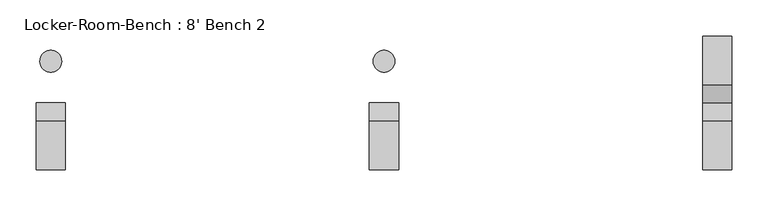
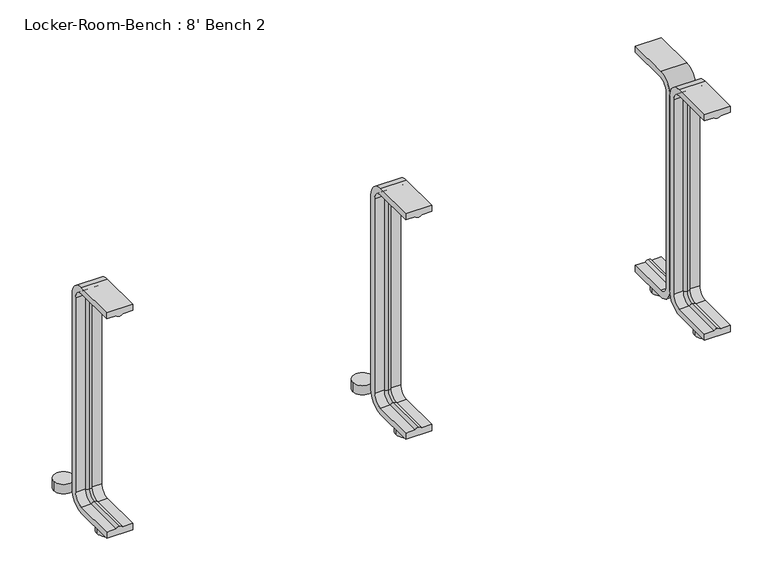
"""IFC4 building model written with IfcOpenShell, lengths in millimetres: proxy geometry, Locker-Room-Bench : 8' Bench 2."""

from ifc_helpers import new_model, si_unit, point, frame, frame_2d, origin, origin_with_axes, place, context, project, spatial, polyline, circle_curve, ellipse_curve, trimmed, segment, composite_curve, outline, extrude, source, transform, mapped, element, save
from ifc_brep_helpers import plane_surface, cylinder_surface, revolved_surface, advanced_brep


def locker_room_bench_8_bench_2_e8f070b9(model_context):
    return source(origin(), model_context, "Body", "SolidModel", [
        extrude(outline(composite_curve([segment(trimmed(circle_curve(frame_2d((459.6, 57.5)), 15.0), [point((444.6, 57.5))], [point((474.6, 57.5))], False, "CARTESIAN"), True, "CONTINUOUS"), segment(trimmed(circle_curve(frame_2d((459.6, 57.5)), 15.0), [point((474.6, 57.5))], [point((444.6, 57.5))], False, "CARTESIAN"), True, "CONTINUOUS")], self_intersect=False)), origin_with_axes(), (0.0, 0.0, 1.0), 15.0),
        extrude(outline(composite_curve([segment(trimmed(circle_curve(frame_2d((459.6, -57.5)), 15.0), [point((444.6, -57.5))], [point((474.6, -57.5))], False, "CARTESIAN"), True, "CONTINUOUS"), segment(trimmed(circle_curve(frame_2d((459.6, -57.5)), 15.0), [point((474.6, -57.5))], [point((444.6, -57.5))], False, "CARTESIAN"), True, "CONTINUOUS")], self_intersect=False)), origin_with_axes(), (0.0, 0.0, 1.0), 15.0),
        extrude(outline(composite_curve([segment(trimmed(circle_curve(frame_2d((0.0, 57.5)), 15.0), [point((-15.0, 57.5))], [point((15.0, 57.5))], False, "CARTESIAN"), True, "CONTINUOUS"), segment(trimmed(circle_curve(frame_2d((0.0, 57.5)), 15.0), [point((15.0, 57.5))], [point((-15.0, 57.5))], False, "CARTESIAN"), True, "CONTINUOUS")], self_intersect=False)), origin_with_axes(), (0.0, 0.0, 1.0), 15.0),
        extrude(outline(composite_curve([segment(trimmed(circle_curve(frame_2d((0.0, -57.5)), 15.0), [point((-15.0, -57.5))], [point((15.0, -57.5))], False, "CARTESIAN"), True, "CONTINUOUS"), segment(trimmed(circle_curve(frame_2d((0.0, -57.5)), 15.0), [point((15.0, -57.5))], [point((-15.0, -57.5))], False, "CARTESIAN"), True, "CONTINUOUS")], self_intersect=False)), origin_with_axes(), (0.0, 0.0, 1.0), 15.0),
        extrude(outline(composite_curve([segment(trimmed(circle_curve(frame_2d((-459.6, 57.5)), 15.0), [point((-474.6, 57.5))], [point((-444.6, 57.5))], False, "CARTESIAN"), True, "CONTINUOUS"), segment(trimmed(circle_curve(frame_2d((-459.6, 57.5)), 15.0), [point((-444.6, 57.5))], [point((-474.6, 57.5))], False, "CARTESIAN"), True, "CONTINUOUS")], self_intersect=False)), origin_with_axes(), (0.0, 0.0, 1.0), 15.0),
        extrude(outline(composite_curve([segment(trimmed(circle_curve(frame_2d((-459.6, -57.5)), 15.0), [point((-474.6, -57.5))], [point((-444.6, -57.5))], False, "CARTESIAN"), True, "CONTINUOUS"), segment(trimmed(circle_curve(frame_2d((-459.6, -57.5)), 15.0), [point((-444.6, -57.5))], [point((-474.6, -57.5))], False, "CARTESIAN"), True, "CONTINUOUS")], self_intersect=False)), origin_with_axes(), (0.0, 0.0, 1.0), 15.0),
        advanced_brep(
        [(479.6, -92.0, 381.4), (439.6, -92.0, 381.4), (439.6, -92.0, 371.4), (454.6, -92.0, 371.4), (459.6, -92.0, 369.0684617), (464.6, -92.0, 371.4), (479.6, -92.0, 371.4), (479.6, -25.0, 371.4), (479.6, -10.0, 356.4), (479.6, -10.0, 40.0), (479.6, -25.0, 25.0), (479.6, -92.0, 25.0), (479.6, -92.0, 15.0), (479.6, -25.0, 15.0), (479.6, 0.0, 40.0), (479.6, 0.0, 356.4), (479.6, -25.0, 381.4), (464.6, -25.0, 371.4), (459.6, -25.0, 369.0684617), (454.6, -25.0, 371.4), (439.6, -25.0, 371.4), (439.6, -25.0, 381.4), (439.6, 0.0, 356.4), (439.6, 0.0, 40.0), (439.6, -25.0, 15.0), (439.6, -92.0, 15.0), (439.6, -92.0, 25.0), (439.6, -25.0, 25.0), (439.6, -10.0, 40.0), (439.6, -10.0, 356.4), (464.6, -10.0, 356.4), (459.6, -12.3315383, 356.4), (454.6, -10.0, 356.4), (464.6, -10.0, 40.0), (459.6, -12.3315383, 40.0), (454.6, -10.0, 40.0), (464.6, -25.0, 25.0), (459.6, -25.0, 27.3315383), (454.6, -25.0, 25.0), (464.6, -92.0, 25.0), (459.6, -92.0, 27.3315383), (454.6, -92.0, 25.0)],
        [
            (0, 1),
            (1, 2),
            (2, 3),
            (3, 4, circle_curve(frame((459.3003591, -92.0, 374.9529162), z_axis=(0.0, -1.0, 0.0), x_axis=(0.0, 0.0, -1.0)), 5.8920785)),
            (4, 5, circle_curve(frame((459.8996409, -92.0, 374.9529162), z_axis=(0.0, -1.0, 0.0), x_axis=(0.0, 0.0, -1.0)), 5.8920785)),
            (5, 6),
            (6, 0),
            (6, 7),
            (7, 8, circle_curve(frame((479.6, -25.0, 356.4), z_axis=(-1.0, 0.0, 0.0), x_axis=(0.0, 0.0, 1.0)), 15.0)),
            (8, 9),
            (9, 10, circle_curve(frame((479.6, -25.0, 40.0), z_axis=(-1.0, 0.0, 0.0), x_axis=(0.0, 1.0, 0.0)), 15.0)),
            (10, 11),
            (11, 12),
            (12, 13),
            (13, 14, circle_curve(frame((479.6, -25.0, 40.0), z_axis=(1.0, 0.0, 0.0), x_axis=(0.0, 1.0, 0.0)), 25.0)),
            (14, 15),
            (15, 16, circle_curve(frame((479.6, -25.0, 356.4), z_axis=(1.0, 0.0, 0.0), x_axis=(0.0, 0.0, 1.0)), 25.0)),
            (16, 0),
            (5, 17),
            (17, 7),
            (4, 18),
            (18, 17, circle_curve(frame((459.8996409, -25.0, 374.9529162), z_axis=(0.0, -1.0, 0.0), x_axis=(0.0, 0.0, -1.0)), 5.8920785)),
            (3, 19),
            (19, 18, circle_curve(frame((459.3003591, -25.0, 374.9529162), z_axis=(0.0, -1.0, 0.0), x_axis=(0.0, 0.0, -1.0)), 5.8920785)),
            (2, 20),
            (20, 19),
            (1, 21),
            (21, 22, circle_curve(frame((439.6, -25.0, 356.4), z_axis=(-1.0, 0.0, 0.0), x_axis=(0.0, 0.0, 1.0)), 25.0)),
            (22, 23),
            (23, 24, circle_curve(frame((439.6, -25.0, 40.0), z_axis=(-1.0, 0.0, 0.0), x_axis=(0.0, 1.0, 0.0)), 25.0)),
            (24, 25),
            (25, 26),
            (26, 27),
            (27, 28, circle_curve(frame((439.6, -25.0, 40.0), z_axis=(1.0, 0.0, 0.0), x_axis=(0.0, 1.0, 0.0)), 15.0)),
            (28, 29),
            (29, 20, circle_curve(frame((439.6, -25.0, 356.4), z_axis=(1.0, 0.0, 0.0), x_axis=(0.0, 0.0, 1.0)), 15.0)),
            (16, 21),
            (30, 8),
            (17, 30, circle_curve(frame((464.6, -25.0, 356.4), z_axis=(-1.0, 0.0, 0.0), x_axis=(0.0, 0.0, 1.0)), 15.0)),
            (31, 30, circle_curve(frame((459.8996409, -6.4470838, 356.4), z_axis=(0.0, 0.0, 1.0), x_axis=(0.0, -1.0, 0.0)), 5.8920785)),
            (18, 31, circle_curve(frame((459.6, -25.0, 356.4), z_axis=(-1.0, 0.0, 0.0), x_axis=(0.0, 0.0, 1.0)), 12.6684617)),
            (32, 31, circle_curve(frame((459.3003591, -6.4470838, 356.4), z_axis=(0.0, 0.0, 1.0), x_axis=(0.0, -1.0, 0.0)), 5.8920785)),
            (19, 32, circle_curve(frame((454.6, -25.0, 356.4), z_axis=(-1.0, 0.0, 0.0), x_axis=(0.0, 0.0, 1.0)), 15.0)),
            (29, 32),
            (15, 22),
            (30, 33),
            (33, 9),
            (31, 34),
            (34, 33, circle_curve(frame((459.8996409, -6.4470838, 40.0), z_axis=(0.0, 0.0, 1.0), x_axis=(0.0, -1.0, 0.0)), 5.8920785)),
            (32, 35),
            (35, 34, circle_curve(frame((459.3003591, -6.4470838, 40.0), z_axis=(0.0, 0.0, 1.0), x_axis=(0.0, -1.0, 0.0)), 5.8920785)),
            (28, 35),
            (14, 23),
            (36, 10),
            (33, 36, circle_curve(frame((464.6, -25.0, 40.0), z_axis=(-1.0, 0.0, 0.0), x_axis=(0.0, 1.0, 0.0)), 15.0)),
            (37, 36, circle_curve(frame((459.8996409, -25.0, 21.4470838), z_axis=(0.0, 1.0, 0.0), x_axis=(0.0, 0.0, 1.0)), 5.8920785)),
            (34, 37, circle_curve(frame((459.6, -25.0, 40.0), z_axis=(-1.0, 0.0, 0.0), x_axis=(0.0, 1.0, 0.0)), 12.6684617)),
            (38, 37, circle_curve(frame((459.3003591, -25.0, 21.4470838), z_axis=(0.0, 1.0, 0.0), x_axis=(0.0, 0.0, 1.0)), 5.8920785)),
            (35, 38, circle_curve(frame((454.6, -25.0, 40.0), z_axis=(-1.0, 0.0, 0.0), x_axis=(0.0, 1.0, 0.0)), 15.0)),
            (27, 38),
            (13, 24),
            (11, 39),
            (39, 40, circle_curve(frame((459.8996409, -92.0, 21.4470838), z_axis=(0.0, -1.0, 0.0), x_axis=(0.0, 0.0, 1.0)), 5.8920785)),
            (40, 41, circle_curve(frame((459.3003591, -92.0, 21.4470838), z_axis=(0.0, -1.0, 0.0), x_axis=(0.0, 0.0, 1.0)), 5.8920785)),
            (41, 26),
            (25, 12),
            (36, 39),
            (37, 40),
            (38, 41),
        ],
        [
            plane_surface(frame((459.6, -92.0, 381.4), z_axis=(0.0, -1.0, 0.0), x_axis=(1.0, 0.0, 0.0))),
            plane_surface(frame((479.6, -92.0, 381.4), z_axis=(1.0, 0.0, 0.0), x_axis=(0.0, 1.0, 0.0))),
            plane_surface(frame((479.6, -92.0, 371.4), z_axis=(0.0, 0.0, -1.0), x_axis=(0.0, 1.0, 0.0))),
            cylinder_surface(frame((459.8996409, -92.0, 374.9529162), z_axis=(0.0, -1.0, 0.0), x_axis=(0.0, 0.0, -1.0)), 5.8920785),
            cylinder_surface(frame((459.3003591, -92.0, 374.9529162), z_axis=(0.0, -1.0, 0.0), x_axis=(0.0, 0.0, -1.0)), 5.8920785),
            plane_surface(frame((454.6, -92.0, 371.4), z_axis=(0.0, 0.0, -1.0), x_axis=(0.0, 1.0, 0.0))),
            plane_surface(frame((439.6, -92.0, 371.4), z_axis=(-1.0, 0.0, 0.0), x_axis=(0.0, 1.0, 0.0))),
            plane_surface(frame((439.6, -92.0, 381.4), z_axis=(0.0, 0.0, 1.0), x_axis=(0.0, 1.0, 0.0))),
            revolved_surface(polyline([(479.6, -25.0, 371.4), (464.6, -25.0, 371.4)]), (459.6, -25.0, 356.4), (1.0, 0.0, 0.0)),
            revolved_surface(trimmed(ellipse_curve(frame((459.8996409, -25.0, 374.9529162), z_axis=(0.0, 1.0, 0.0), x_axis=(0.0, 0.0, -1.0)), 5.8920785, 5.8920785), [point((464.6, -25.0, 371.4))], [point((459.6, -25.0, 369.0684617))], True, "CARTESIAN"), (459.6, -25.0, 356.4), (1.0, 0.0, 0.0)),
            revolved_surface(trimmed(ellipse_curve(frame((459.3003591, -25.0, 374.9529162), z_axis=(0.0, 1.0, 0.0), x_axis=(0.0, 0.0, -1.0)), 5.8920785, 5.8920785), [point((459.6, -25.0, 369.0684617))], [point((454.6, -25.0, 371.4))], True, "CARTESIAN"), (459.6, -25.0, 356.4), (1.0, 0.0, 0.0)),
            revolved_surface(polyline([(454.6, -25.0, 371.4), (439.6, -25.0, 371.4)]), (459.6, -25.0, 356.4), (1.0, 0.0, 0.0)),
            cylinder_surface(frame((459.6, -25.0, 356.4), z_axis=(1.0, 0.0, 0.0), x_axis=(0.0, 0.0, 1.0)), 25.0),
            plane_surface(frame((479.6, -10.0, 356.4), z_axis=(0.0, -1.0, 0.0), x_axis=(0.0, 0.0, -1.0))),
            cylinder_surface(frame((459.8996409, -6.4470838, 356.4), z_axis=(0.0, 0.0, 1.0), x_axis=(0.0, -1.0, 0.0)), 5.8920785),
            cylinder_surface(frame((459.3003591, -6.4470838, 356.4), z_axis=(0.0, 0.0, 1.0), x_axis=(0.0, -1.0, 0.0)), 5.8920785),
            plane_surface(frame((454.6, -10.0, 356.4), z_axis=(0.0, -1.0, 0.0), x_axis=(0.0, 0.0, -1.0))),
            plane_surface(frame((439.6, 0.0, 356.4), z_axis=(0.0, 1.0, 0.0), x_axis=(0.0, 0.0, -1.0))),
            revolved_surface(polyline([(479.6, -10.0, 40.0), (464.6, -10.0, 40.0)]), (459.6, -25.0, 40.0), (1.0, 0.0, 0.0)),
            revolved_surface(trimmed(ellipse_curve(frame((459.8996409, -6.4470838, 40.0), z_axis=(0.0, 0.0, -1.0), x_axis=(0.0, -1.0, 0.0)), 5.8920785, 5.8920785), [point((464.6, -10.0, 40.0))], [point((459.6, -12.3315383, 40.0))], True, "CARTESIAN"), (459.6, -25.0, 40.0), (1.0, 0.0, 0.0)),
            revolved_surface(trimmed(ellipse_curve(frame((459.3003591, -6.4470838, 40.0), z_axis=(0.0, 0.0, -1.0), x_axis=(0.0, -1.0, 0.0)), 5.8920785, 5.8920785), [point((459.6, -12.3315383, 40.0))], [point((454.6, -10.0, 40.0))], True, "CARTESIAN"), (459.6, -25.0, 40.0), (1.0, 0.0, 0.0)),
            revolved_surface(polyline([(454.6, -10.0, 40.0), (439.6, -10.0, 40.0)]), (459.6, -25.0, 40.0), (1.0, 0.0, 0.0)),
            cylinder_surface(frame((459.6, -25.0, 40.0), z_axis=(1.0, 0.0, 0.0), x_axis=(0.0, 1.0, 0.0)), 25.0),
            plane_surface(frame((459.6, -92.0, 15.0), z_axis=(0.0, -1.0, 0.0), x_axis=(1.0, 0.0, 0.0))),
            plane_surface(frame((479.6, -25.0, 25.0), z_axis=(0.0, 0.0, 1.0), x_axis=(0.0, -1.0, 0.0))),
            cylinder_surface(frame((459.8996409, -25.0, 21.4470838), z_axis=(0.0, 1.0, 0.0), x_axis=(0.0, 0.0, 1.0)), 5.8920785),
            cylinder_surface(frame((459.3003591, -25.0, 21.4470838), z_axis=(0.0, 1.0, 0.0), x_axis=(0.0, 0.0, 1.0)), 5.8920785),
            plane_surface(frame((454.6, -25.0, 25.0), z_axis=(0.0, 0.0, 1.0), x_axis=(0.0, -1.0, 0.0))),
            plane_surface(frame((439.6, -25.0, 15.0), z_axis=(0.0, 0.0, -1.0), x_axis=(0.0, -1.0, 0.0))),
        ],
        [
            (0, [[1, 2, 3, 4, 5, 6, 7]]),
            (1, [[8, 9, 10, 11, 12, 13, 14, 15, 16, 17, 18, -7]]),
            (2, [[19, 20, -8, -6]]),
            (3, [[21, 22, -19, -5]]),
            (4, [[23, 24, -21, -4]]),
            (5, [[25, 26, -23, -3]]),
            (6, [[27, 28, 29, 30, 31, 32, 33, 34, 35, 36, -25, -2]]),
            (7, [[-18, 37, -27, -1]]),
            (8, [[38, -9, -20, 39]]),
            (9, [[40, -39, -22, 41]]),
            (10, [[42, -41, -24, 43]]),
            (11, [[44, -43, -26, -36]]),
            (12, [[45, -28, -37, -17]]),
            (13, [[46, 47, -10, -38]]),
            (14, [[48, 49, -46, -40]]),
            (15, [[50, 51, -48, -42]]),
            (16, [[-35, 52, -50, -44]]),
            (17, [[-16, 53, -29, -45]]),
            (18, [[54, -11, -47, 55]]),
            (19, [[56, -55, -49, 57]]),
            (20, [[58, -57, -51, 59]]),
            (21, [[60, -59, -52, -34]]),
            (22, [[61, -30, -53, -15]]),
            (23, [[-13, 62, 63, 64, 65, -32, 66]]),
            (24, [[67, -62, -12, -54]]),
            (25, [[68, -63, -67, -56]]),
            (26, [[69, -64, -68, -58]]),
            (27, [[-33, -65, -69, -60]]),
            (28, [[-14, -66, -31, -61]]),
        ],
    ),
        advanced_brep(
        [(20.0, -92.0, 381.4), (-20.0, -92.0, 381.4), (-20.0, -92.0, 371.4), (-5.0, -92.0, 371.4), (0.0, -92.0, 369.0684617), (5.0, -92.0, 371.4), (20.0, -92.0, 371.4), (20.0, -25.0, 371.4), (20.0, -10.0, 356.4), (20.0, -10.0, 40.0), (20.0, -25.0, 25.0), (20.0, -92.0, 25.0), (20.0, -92.0, 15.0), (20.0, -25.0, 15.0), (20.0, 0.0, 40.0), (20.0, 0.0, 356.4), (20.0, -25.0, 381.4), (5.0, -25.0, 371.4), (0.0, -25.0, 369.0684617), (-5.0, -25.0, 371.4), (-20.0, -25.0, 371.4), (-20.0, -25.0, 381.4), (-20.0, 0.0, 356.4), (-20.0, 0.0, 40.0), (-20.0, -25.0, 15.0), (-20.0, -92.0, 15.0), (-20.0, -92.0, 25.0), (-20.0, -25.0, 25.0), (-20.0, -10.0, 40.0), (-20.0, -10.0, 356.4), (5.0, -10.0, 356.4), (0.0, -12.3315383, 356.4), (-5.0, -10.0, 356.4), (5.0, -10.0, 40.0), (0.0, -12.3315383, 40.0), (-5.0, -10.0, 40.0), (5.0, -25.0, 25.0), (0.0, -25.0, 27.3315383), (-5.0, -25.0, 25.0), (5.0, -92.0, 25.0), (0.0, -92.0, 27.3315383), (-5.0, -92.0, 25.0)],
        [
            (0, 1),
            (1, 2),
            (2, 3),
            (3, 4, circle_curve(frame((-0.2996409, -92.0, 374.9529162), z_axis=(0.0, -1.0, 0.0), x_axis=(0.0, 0.0, -1.0)), 5.8920785)),
            (4, 5, circle_curve(frame((0.2996409, -92.0, 374.9529162), z_axis=(0.0, -1.0, 0.0), x_axis=(0.0, 0.0, -1.0)), 5.8920785)),
            (5, 6),
            (6, 0),
            (6, 7),
            (7, 8, circle_curve(frame((20.0, -25.0, 356.4), z_axis=(-1.0, 0.0, 0.0), x_axis=(0.0, 0.0, 1.0)), 15.0)),
            (8, 9),
            (9, 10, circle_curve(frame((20.0, -25.0, 40.0), z_axis=(-1.0, 0.0, 0.0), x_axis=(0.0, 1.0, 0.0)), 15.0)),
            (10, 11),
            (11, 12),
            (12, 13),
            (13, 14, circle_curve(frame((20.0, -25.0, 40.0), z_axis=(1.0, 0.0, 0.0), x_axis=(0.0, 1.0, 0.0)), 25.0)),
            (14, 15),
            (15, 16, circle_curve(frame((20.0, -25.0, 356.4), z_axis=(1.0, 0.0, 0.0), x_axis=(0.0, 0.0, 1.0)), 25.0)),
            (16, 0),
            (5, 17),
            (17, 7),
            (4, 18),
            (18, 17, circle_curve(frame((0.2996409, -25.0, 374.9529162), z_axis=(0.0, -1.0, 0.0), x_axis=(0.0, 0.0, -1.0)), 5.8920785)),
            (3, 19),
            (19, 18, circle_curve(frame((-0.2996409, -25.0, 374.9529162), z_axis=(0.0, -1.0, 0.0), x_axis=(0.0, 0.0, -1.0)), 5.8920785)),
            (2, 20),
            (20, 19),
            (1, 21),
            (21, 22, circle_curve(frame((-20.0, -25.0, 356.4), z_axis=(-1.0, 0.0, 0.0), x_axis=(0.0, 0.0, 1.0)), 25.0)),
            (22, 23),
            (23, 24, circle_curve(frame((-20.0, -25.0, 40.0), z_axis=(-1.0, 0.0, 0.0), x_axis=(0.0, 1.0, 0.0)), 25.0)),
            (24, 25),
            (25, 26),
            (26, 27),
            (27, 28, circle_curve(frame((-20.0, -25.0, 40.0), z_axis=(1.0, 0.0, 0.0), x_axis=(0.0, 1.0, 0.0)), 15.0)),
            (28, 29),
            (29, 20, circle_curve(frame((-20.0, -25.0, 356.4), z_axis=(1.0, 0.0, 0.0), x_axis=(0.0, 0.0, 1.0)), 15.0)),
            (16, 21),
            (30, 8),
            (17, 30, circle_curve(frame((5.0, -25.0, 356.4), z_axis=(-1.0, 0.0, 0.0), x_axis=(0.0, 0.0, 1.0)), 15.0)),
            (31, 30, circle_curve(frame((0.2996409, -6.4470838, 356.4), z_axis=(0.0, 0.0, 1.0), x_axis=(0.0, -1.0, 0.0)), 5.8920785)),
            (18, 31, circle_curve(frame((0.0, -25.0, 356.4), z_axis=(-1.0, 0.0, 0.0), x_axis=(0.0, 0.0, 1.0)), 12.6684617)),
            (32, 31, circle_curve(frame((-0.2996409, -6.4470838, 356.4), z_axis=(0.0, 0.0, 1.0), x_axis=(0.0, -1.0, 0.0)), 5.8920785)),
            (19, 32, circle_curve(frame((-5.0, -25.0, 356.4), z_axis=(-1.0, 0.0, 0.0), x_axis=(0.0, 0.0, 1.0)), 15.0)),
            (29, 32),
            (15, 22),
            (30, 33),
            (33, 9),
            (31, 34),
            (34, 33, circle_curve(frame((0.2996409, -6.4470838, 40.0), z_axis=(0.0, 0.0, 1.0), x_axis=(0.0, -1.0, 0.0)), 5.8920785)),
            (32, 35),
            (35, 34, circle_curve(frame((-0.2996409, -6.4470838, 40.0), z_axis=(0.0, 0.0, 1.0), x_axis=(0.0, -1.0, 0.0)), 5.8920785)),
            (28, 35),
            (14, 23),
            (36, 10),
            (33, 36, circle_curve(frame((5.0, -25.0, 40.0), z_axis=(-1.0, 0.0, 0.0), x_axis=(0.0, 1.0, 0.0)), 15.0)),
            (37, 36, circle_curve(frame((0.2996409, -25.0, 21.4470838), z_axis=(0.0, 1.0, 0.0), x_axis=(0.0, 0.0, 1.0)), 5.8920785)),
            (34, 37, circle_curve(frame((0.0, -25.0, 40.0), z_axis=(-1.0, 0.0, 0.0), x_axis=(0.0, 1.0, 0.0)), 12.6684617)),
            (38, 37, circle_curve(frame((-0.2996409, -25.0, 21.4470838), z_axis=(0.0, 1.0, 0.0), x_axis=(0.0, 0.0, 1.0)), 5.8920785)),
            (35, 38, circle_curve(frame((-5.0, -25.0, 40.0), z_axis=(-1.0, 0.0, 0.0), x_axis=(0.0, 1.0, 0.0)), 15.0)),
            (27, 38),
            (13, 24),
            (11, 39),
            (39, 40, circle_curve(frame((0.2996409, -92.0, 21.4470838), z_axis=(0.0, -1.0, 0.0), x_axis=(0.0, 0.0, 1.0)), 5.8920785)),
            (40, 41, circle_curve(frame((-0.2996409, -92.0, 21.4470838), z_axis=(0.0, -1.0, 0.0), x_axis=(0.0, 0.0, 1.0)), 5.8920785)),
            (41, 26),
            (25, 12),
            (36, 39),
            (37, 40),
            (38, 41),
        ],
        [
            plane_surface(frame((0.0, -92.0, 381.4), z_axis=(0.0, -1.0, 0.0), x_axis=(1.0, 0.0, 0.0))),
            plane_surface(frame((20.0, -92.0, 381.4), z_axis=(1.0, 0.0, 0.0), x_axis=(0.0, 1.0, 0.0))),
            plane_surface(frame((20.0, -92.0, 371.4), z_axis=(0.0, 0.0, -1.0), x_axis=(0.0, 1.0, 0.0))),
            cylinder_surface(frame((0.2996409, -92.0, 374.9529162), z_axis=(0.0, -1.0, 0.0), x_axis=(0.0, 0.0, -1.0)), 5.8920785),
            cylinder_surface(frame((-0.2996409, -92.0, 374.9529162), z_axis=(0.0, -1.0, 0.0), x_axis=(0.0, 0.0, -1.0)), 5.8920785),
            plane_surface(frame((-5.0, -92.0, 371.4), z_axis=(0.0, 0.0, -1.0), x_axis=(0.0, 1.0, 0.0))),
            plane_surface(frame((-20.0, -92.0, 371.4), z_axis=(-1.0, 0.0, 0.0), x_axis=(0.0, 1.0, 0.0))),
            plane_surface(frame((-20.0, -92.0, 381.4), z_axis=(0.0, 0.0, 1.0), x_axis=(0.0, 1.0, 0.0))),
            revolved_surface(polyline([(20.0, -25.0, 371.4), (5.0, -25.0, 371.4)]), (0.0, -25.0, 356.4), (1.0, 0.0, 0.0)),
            revolved_surface(trimmed(ellipse_curve(frame((0.2996409, -25.0, 374.9529162), z_axis=(0.0, 1.0, 0.0), x_axis=(0.0, 0.0, -1.0)), 5.8920785, 5.8920785), [point((5.0, -25.0, 371.4))], [point((0.0, -25.0, 369.0684617))], True, "CARTESIAN"), (0.0, -25.0, 356.4), (1.0, 0.0, 0.0)),
            revolved_surface(trimmed(ellipse_curve(frame((-0.2996409, -25.0, 374.9529162), z_axis=(0.0, 1.0, 0.0), x_axis=(0.0, 0.0, -1.0)), 5.8920785, 5.8920785), [point((0.0, -25.0, 369.0684617))], [point((-5.0, -25.0, 371.4))], True, "CARTESIAN"), (0.0, -25.0, 356.4), (1.0, 0.0, 0.0)),
            revolved_surface(polyline([(-5.0, -25.0, 371.4), (-20.0, -25.0, 371.4)]), (0.0, -25.0, 356.4), (1.0, 0.0, 0.0)),
            cylinder_surface(frame((0.0, -25.0, 356.4), z_axis=(1.0, 0.0, 0.0), x_axis=(0.0, 0.0, 1.0)), 25.0),
            plane_surface(frame((20.0, -10.0, 356.4), z_axis=(0.0, -1.0, 0.0), x_axis=(0.0, 0.0, -1.0))),
            cylinder_surface(frame((0.2996409, -6.4470838, 356.4), z_axis=(0.0, 0.0, 1.0), x_axis=(0.0, -1.0, 0.0)), 5.8920785),
            cylinder_surface(frame((-0.2996409, -6.4470838, 356.4), z_axis=(0.0, 0.0, 1.0), x_axis=(0.0, -1.0, 0.0)), 5.8920785),
            plane_surface(frame((-5.0, -10.0, 356.4), z_axis=(0.0, -1.0, 0.0), x_axis=(0.0, 0.0, -1.0))),
            plane_surface(frame((-20.0, 0.0, 356.4), z_axis=(0.0, 1.0, 0.0), x_axis=(0.0, 0.0, -1.0))),
            revolved_surface(polyline([(20.0, -10.0, 40.0), (5.0, -10.0, 40.0)]), (0.0, -25.0, 40.0), (1.0, 0.0, 0.0)),
            revolved_surface(trimmed(ellipse_curve(frame((0.2996409, -6.4470838, 40.0), z_axis=(0.0, 0.0, -1.0), x_axis=(0.0, -1.0, 0.0)), 5.8920785, 5.8920785), [point((5.0, -10.0, 40.0))], [point((0.0, -12.3315383, 40.0))], True, "CARTESIAN"), (0.0, -25.0, 40.0), (1.0, 0.0, 0.0)),
            revolved_surface(trimmed(ellipse_curve(frame((-0.2996409, -6.4470838, 40.0), z_axis=(0.0, 0.0, -1.0), x_axis=(0.0, -1.0, 0.0)), 5.8920785, 5.8920785), [point((0.0, -12.3315383, 40.0))], [point((-5.0, -10.0, 40.0))], True, "CARTESIAN"), (0.0, -25.0, 40.0), (1.0, 0.0, 0.0)),
            revolved_surface(polyline([(-5.0, -10.0, 40.0), (-20.0, -10.0, 40.0)]), (0.0, -25.0, 40.0), (1.0, 0.0, 0.0)),
            cylinder_surface(frame((0.0, -25.0, 40.0), z_axis=(1.0, 0.0, 0.0), x_axis=(0.0, 1.0, 0.0)), 25.0),
            plane_surface(frame((0.0, -92.0, 15.0), z_axis=(0.0, -1.0, 0.0), x_axis=(1.0, 0.0, 0.0))),
            plane_surface(frame((20.0, -25.0, 25.0), z_axis=(0.0, 0.0, 1.0), x_axis=(0.0, -1.0, 0.0))),
            cylinder_surface(frame((0.2996409, -25.0, 21.4470838), z_axis=(0.0, 1.0, 0.0), x_axis=(0.0, 0.0, 1.0)), 5.8920785),
            cylinder_surface(frame((-0.2996409, -25.0, 21.4470838), z_axis=(0.0, 1.0, 0.0), x_axis=(0.0, 0.0, 1.0)), 5.8920785),
            plane_surface(frame((-5.0, -25.0, 25.0), z_axis=(0.0, 0.0, 1.0), x_axis=(0.0, -1.0, 0.0))),
            plane_surface(frame((-20.0, -25.0, 15.0), z_axis=(0.0, 0.0, -1.0), x_axis=(0.0, -1.0, 0.0))),
        ],
        [
            (0, [[1, 2, 3, 4, 5, 6, 7]]),
            (1, [[8, 9, 10, 11, 12, 13, 14, 15, 16, 17, 18, -7]]),
            (2, [[19, 20, -8, -6]]),
            (3, [[21, 22, -19, -5]]),
            (4, [[23, 24, -21, -4]]),
            (5, [[25, 26, -23, -3]]),
            (6, [[27, 28, 29, 30, 31, 32, 33, 34, 35, 36, -25, -2]]),
            (7, [[-18, 37, -27, -1]]),
            (8, [[38, -9, -20, 39]]),
            (9, [[40, -39, -22, 41]]),
            (10, [[42, -41, -24, 43]]),
            (11, [[44, -43, -26, -36]]),
            (12, [[45, -28, -37, -17]]),
            (13, [[46, 47, -10, -38]]),
            (14, [[48, 49, -46, -40]]),
            (15, [[50, 51, -48, -42]]),
            (16, [[-35, 52, -50, -44]]),
            (17, [[-16, 53, -29, -45]]),
            (18, [[54, -11, -47, 55]]),
            (19, [[56, -55, -49, 57]]),
            (20, [[58, -57, -51, 59]]),
            (21, [[60, -59, -52, -34]]),
            (22, [[61, -30, -53, -15]]),
            (23, [[-13, 62, 63, 64, 65, -32, 66]]),
            (24, [[67, -62, -12, -54]]),
            (25, [[68, -63, -67, -56]]),
            (26, [[69, -64, -68, -58]]),
            (27, [[-33, -65, -69, -60]]),
            (28, [[-14, -66, -31, -61]]),
        ],
    ),
        advanced_brep(
        [(-439.6, -92.0, 381.4), (-479.6, -92.0, 381.4), (-479.6, -92.0, 371.4), (-464.6, -92.0, 371.4), (-459.6, -92.0, 369.0684617), (-454.6, -92.0, 371.4), (-439.6, -92.0, 371.4), (-439.6, -25.0, 371.4), (-439.6, -10.0, 356.4), (-439.6, -10.0, 40.0), (-439.6, -25.0, 25.0), (-439.6, -92.0, 25.0), (-439.6, -92.0, 15.0), (-439.6, -25.0, 15.0), (-439.6, 0.0, 40.0), (-439.6, 0.0, 356.4), (-439.6, -25.0, 381.4), (-454.6, -25.0, 371.4), (-459.6, -25.0, 369.0684617), (-464.6, -25.0, 371.4), (-479.6, -25.0, 371.4), (-479.6, -25.0, 381.4), (-479.6, 0.0, 356.4), (-479.6, 0.0, 40.0), (-479.6, -25.0, 15.0), (-479.6, -92.0, 15.0), (-479.6, -92.0, 25.0), (-479.6, -25.0, 25.0), (-479.6, -10.0, 40.0), (-479.6, -10.0, 356.4), (-454.6, -10.0, 356.4), (-459.6, -12.3315383, 356.4), (-464.6, -10.0, 356.4), (-454.6, -10.0, 40.0), (-459.6, -12.3315383, 40.0), (-464.6, -10.0, 40.0), (-454.6, -25.0, 25.0), (-459.6, -25.0, 27.3315383), (-464.6, -25.0, 25.0), (-454.6, -92.0, 25.0), (-459.6, -92.0, 27.3315383), (-464.6, -92.0, 25.0)],
        [
            (0, 1),
            (1, 2),
            (2, 3),
            (3, 4, circle_curve(frame((-459.8996409, -92.0, 374.9529162), z_axis=(0.0, -1.0, 0.0), x_axis=(0.0, 0.0, -1.0)), 5.8920785)),
            (4, 5, circle_curve(frame((-459.3003591, -92.0, 374.9529162), z_axis=(0.0, -1.0, 0.0), x_axis=(0.0, 0.0, -1.0)), 5.8920785)),
            (5, 6),
            (6, 0),
            (6, 7),
            (7, 8, circle_curve(frame((-439.6, -25.0, 356.4), z_axis=(-1.0, 0.0, 0.0), x_axis=(0.0, 0.0, 1.0)), 15.0)),
            (8, 9),
            (9, 10, circle_curve(frame((-439.6, -25.0, 40.0), z_axis=(-1.0, 0.0, 0.0), x_axis=(0.0, 1.0, 0.0)), 15.0)),
            (10, 11),
            (11, 12),
            (12, 13),
            (13, 14, circle_curve(frame((-439.6, -25.0, 40.0), z_axis=(1.0, 0.0, 0.0), x_axis=(0.0, 1.0, 0.0)), 25.0)),
            (14, 15),
            (15, 16, circle_curve(frame((-439.6, -25.0, 356.4), z_axis=(1.0, 0.0, 0.0), x_axis=(0.0, 0.0, 1.0)), 25.0)),
            (16, 0),
            (5, 17),
            (17, 7),
            (4, 18),
            (18, 17, circle_curve(frame((-459.3003591, -25.0, 374.9529162), z_axis=(0.0, -1.0, 0.0), x_axis=(0.0, 0.0, -1.0)), 5.8920785)),
            (3, 19),
            (19, 18, circle_curve(frame((-459.8996409, -25.0, 374.9529162), z_axis=(0.0, -1.0, 0.0), x_axis=(0.0, 0.0, -1.0)), 5.8920785)),
            (2, 20),
            (20, 19),
            (1, 21),
            (21, 22, circle_curve(frame((-479.6, -25.0, 356.4), z_axis=(-1.0, 0.0, 0.0), x_axis=(0.0, 0.0, 1.0)), 25.0)),
            (22, 23),
            (23, 24, circle_curve(frame((-479.6, -25.0, 40.0), z_axis=(-1.0, 0.0, 0.0), x_axis=(0.0, 1.0, 0.0)), 25.0)),
            (24, 25),
            (25, 26),
            (26, 27),
            (27, 28, circle_curve(frame((-479.6, -25.0, 40.0), z_axis=(1.0, 0.0, 0.0), x_axis=(0.0, 1.0, 0.0)), 15.0)),
            (28, 29),
            (29, 20, circle_curve(frame((-479.6, -25.0, 356.4), z_axis=(1.0, 0.0, 0.0), x_axis=(0.0, 0.0, 1.0)), 15.0)),
            (16, 21),
            (30, 8),
            (17, 30, circle_curve(frame((-454.6, -25.0, 356.4), z_axis=(-1.0, 0.0, 0.0), x_axis=(0.0, 0.0, 1.0)), 15.0)),
            (31, 30, circle_curve(frame((-459.3003591, -6.4470838, 356.4), z_axis=(0.0, 0.0, 1.0), x_axis=(0.0, -1.0, 0.0)), 5.8920785)),
            (18, 31, circle_curve(frame((-459.6, -25.0, 356.4), z_axis=(-1.0, 0.0, 0.0), x_axis=(0.0, 0.0, 1.0)), 12.6684617)),
            (32, 31, circle_curve(frame((-459.8996409, -6.4470838, 356.4), z_axis=(0.0, 0.0, 1.0), x_axis=(0.0, -1.0, 0.0)), 5.8920785)),
            (19, 32, circle_curve(frame((-464.6, -25.0, 356.4), z_axis=(-1.0, 0.0, 0.0), x_axis=(0.0, 0.0, 1.0)), 15.0)),
            (29, 32),
            (15, 22),
            (30, 33),
            (33, 9),
            (31, 34),
            (34, 33, circle_curve(frame((-459.3003591, -6.4470838, 40.0), z_axis=(0.0, 0.0, 1.0), x_axis=(0.0, -1.0, 0.0)), 5.8920785)),
            (32, 35),
            (35, 34, circle_curve(frame((-459.8996409, -6.4470838, 40.0), z_axis=(0.0, 0.0, 1.0), x_axis=(0.0, -1.0, 0.0)), 5.8920785)),
            (28, 35),
            (14, 23),
            (36, 10),
            (33, 36, circle_curve(frame((-454.6, -25.0, 40.0), z_axis=(-1.0, 0.0, 0.0), x_axis=(0.0, 1.0, 0.0)), 15.0)),
            (37, 36, circle_curve(frame((-459.3003591, -25.0, 21.4470838), z_axis=(0.0, 1.0, 0.0), x_axis=(0.0, 0.0, 1.0)), 5.8920785)),
            (34, 37, circle_curve(frame((-459.6, -25.0, 40.0), z_axis=(-1.0, 0.0, 0.0), x_axis=(0.0, 1.0, 0.0)), 12.6684617)),
            (38, 37, circle_curve(frame((-459.8996409, -25.0, 21.4470838), z_axis=(0.0, 1.0, 0.0), x_axis=(0.0, 0.0, 1.0)), 5.8920785)),
            (35, 38, circle_curve(frame((-464.6, -25.0, 40.0), z_axis=(-1.0, 0.0, 0.0), x_axis=(0.0, 1.0, 0.0)), 15.0)),
            (27, 38),
            (13, 24),
            (11, 39),
            (39, 40, circle_curve(frame((-459.3003591, -92.0, 21.4470838), z_axis=(0.0, -1.0, 0.0), x_axis=(0.0, 0.0, 1.0)), 5.8920785)),
            (40, 41, circle_curve(frame((-459.8996409, -92.0, 21.4470838), z_axis=(0.0, -1.0, 0.0), x_axis=(0.0, 0.0, 1.0)), 5.8920785)),
            (41, 26),
            (25, 12),
            (36, 39),
            (37, 40),
            (38, 41),
        ],
        [
            plane_surface(frame((-459.6, -92.0, 381.4), z_axis=(0.0, -1.0, 0.0), x_axis=(1.0, 0.0, 0.0))),
            plane_surface(frame((-439.6, -92.0, 381.4), z_axis=(1.0, 0.0, 0.0), x_axis=(0.0, 1.0, 0.0))),
            plane_surface(frame((-439.6, -92.0, 371.4), z_axis=(0.0, 0.0, -1.0), x_axis=(0.0, 1.0, 0.0))),
            cylinder_surface(frame((-459.3003591, -92.0, 374.9529162), z_axis=(0.0, -1.0, 0.0), x_axis=(0.0, 0.0, -1.0)), 5.8920785),
            cylinder_surface(frame((-459.8996409, -92.0, 374.9529162), z_axis=(0.0, -1.0, 0.0), x_axis=(0.0, 0.0, -1.0)), 5.8920785),
            plane_surface(frame((-464.6, -92.0, 371.4), z_axis=(0.0, 0.0, -1.0), x_axis=(0.0, 1.0, 0.0))),
            plane_surface(frame((-479.6, -92.0, 371.4), z_axis=(-1.0, 0.0, 0.0), x_axis=(0.0, 1.0, 0.0))),
            plane_surface(frame((-479.6, -92.0, 381.4), z_axis=(0.0, 0.0, 1.0), x_axis=(0.0, 1.0, 0.0))),
            revolved_surface(polyline([(-439.6, -25.0, 371.4), (-454.6, -25.0, 371.4)]), (-459.6, -25.0, 356.4), (1.0, 0.0, 0.0)),
            revolved_surface(trimmed(ellipse_curve(frame((-459.3003591, -25.0, 374.9529162), z_axis=(0.0, 1.0, 0.0), x_axis=(0.0, 0.0, -1.0)), 5.8920785, 5.8920785), [point((-454.6, -25.0, 371.4))], [point((-459.6, -25.0, 369.0684617))], True, "CARTESIAN"), (-459.6, -25.0, 356.4), (1.0, 0.0, 0.0)),
            revolved_surface(trimmed(ellipse_curve(frame((-459.8996409, -25.0, 374.9529162), z_axis=(0.0, 1.0, 0.0), x_axis=(0.0, 0.0, -1.0)), 5.8920785, 5.8920785), [point((-459.6, -25.0, 369.0684617))], [point((-464.6, -25.0, 371.4))], True, "CARTESIAN"), (-459.6, -25.0, 356.4), (1.0, 0.0, 0.0)),
            revolved_surface(polyline([(-464.6, -25.0, 371.4), (-479.6, -25.0, 371.4)]), (-459.6, -25.0, 356.4), (1.0, 0.0, 0.0)),
            cylinder_surface(frame((-459.6, -25.0, 356.4), z_axis=(1.0, 0.0, 0.0), x_axis=(0.0, 0.0, 1.0)), 25.0),
            plane_surface(frame((-439.6, -10.0, 356.4), z_axis=(0.0, -1.0, 0.0), x_axis=(0.0, 0.0, -1.0))),
            cylinder_surface(frame((-459.3003591, -6.4470838, 356.4), z_axis=(0.0, 0.0, 1.0), x_axis=(0.0, -1.0, 0.0)), 5.8920785),
            cylinder_surface(frame((-459.8996409, -6.4470838, 356.4), z_axis=(0.0, 0.0, 1.0), x_axis=(0.0, -1.0, 0.0)), 5.8920785),
            plane_surface(frame((-464.6, -10.0, 356.4), z_axis=(0.0, -1.0, 0.0), x_axis=(0.0, 0.0, -1.0))),
            plane_surface(frame((-479.6, 0.0, 356.4), z_axis=(0.0, 1.0, 0.0), x_axis=(0.0, 0.0, -1.0))),
            revolved_surface(polyline([(-439.6, -10.0, 40.0), (-454.6, -10.0, 40.0)]), (-459.6, -25.0, 40.0), (1.0, 0.0, 0.0)),
            revolved_surface(trimmed(ellipse_curve(frame((-459.3003591, -6.4470838, 40.0), z_axis=(0.0, 0.0, -1.0), x_axis=(0.0, -1.0, 0.0)), 5.8920785, 5.8920785), [point((-454.6, -10.0, 40.0))], [point((-459.6, -12.3315383, 40.0))], True, "CARTESIAN"), (-459.6, -25.0, 40.0), (1.0, 0.0, 0.0)),
            revolved_surface(trimmed(ellipse_curve(frame((-459.8996409, -6.4470838, 40.0), z_axis=(0.0, 0.0, -1.0), x_axis=(0.0, -1.0, 0.0)), 5.8920785, 5.8920785), [point((-459.6, -12.3315383, 40.0))], [point((-464.6, -10.0, 40.0))], True, "CARTESIAN"), (-459.6, -25.0, 40.0), (1.0, 0.0, 0.0)),
            revolved_surface(polyline([(-464.6, -10.0, 40.0), (-479.6, -10.0, 40.0)]), (-459.6, -25.0, 40.0), (1.0, 0.0, 0.0)),
            cylinder_surface(frame((-459.6, -25.0, 40.0), z_axis=(1.0, 0.0, 0.0), x_axis=(0.0, 1.0, 0.0)), 25.0),
            plane_surface(frame((-459.6, -92.0, 15.0), z_axis=(0.0, -1.0, 0.0), x_axis=(1.0, 0.0, 0.0))),
            plane_surface(frame((-439.6, -25.0, 25.0), z_axis=(0.0, 0.0, 1.0), x_axis=(0.0, -1.0, 0.0))),
            cylinder_surface(frame((-459.3003591, -25.0, 21.4470838), z_axis=(0.0, 1.0, 0.0), x_axis=(0.0, 0.0, 1.0)), 5.8920785),
            cylinder_surface(frame((-459.8996409, -25.0, 21.4470838), z_axis=(0.0, 1.0, 0.0), x_axis=(0.0, 0.0, 1.0)), 5.8920785),
            plane_surface(frame((-464.6, -25.0, 25.0), z_axis=(0.0, 0.0, 1.0), x_axis=(0.0, -1.0, 0.0))),
            plane_surface(frame((-479.6, -25.0, 15.0), z_axis=(0.0, 0.0, -1.0), x_axis=(0.0, -1.0, 0.0))),
        ],
        [
            (0, [[1, 2, 3, 4, 5, 6, 7]]),
            (1, [[8, 9, 10, 11, 12, 13, 14, 15, 16, 17, 18, -7]]),
            (2, [[19, 20, -8, -6]]),
            (3, [[21, 22, -19, -5]]),
            (4, [[23, 24, -21, -4]]),
            (5, [[25, 26, -23, -3]]),
            (6, [[27, 28, 29, 30, 31, 32, 33, 34, 35, 36, -25, -2]]),
            (7, [[-18, 37, -27, -1]]),
            (8, [[38, -9, -20, 39]]),
            (9, [[40, -39, -22, 41]]),
            (10, [[42, -41, -24, 43]]),
            (11, [[44, -43, -26, -36]]),
            (12, [[45, -28, -37, -17]]),
            (13, [[46, 47, -10, -38]]),
            (14, [[48, 49, -46, -40]]),
            (15, [[50, 51, -48, -42]]),
            (16, [[-35, 52, -50, -44]]),
            (17, [[-16, 53, -29, -45]]),
            (18, [[54, -11, -47, 55]]),
            (19, [[56, -55, -49, 57]]),
            (20, [[58, -57, -51, 59]]),
            (21, [[60, -59, -52, -34]]),
            (22, [[61, -30, -53, -15]]),
            (23, [[-13, 62, 63, 64, 65, -32, 66]]),
            (24, [[67, -62, -12, -54]]),
            (25, [[68, -63, -67, -56]]),
            (26, [[69, -64, -68, -58]]),
            (27, [[-33, -65, -69, -60]]),
            (28, [[-14, -66, -31, -61]]),
        ],
    ),
        advanced_brep(
        [(479.6, 92.0, 381.4), (479.6, 92.0, 371.4), (464.6, 92.0, 371.4), (459.6, 92.0, 369.0684617), (454.6, 92.0, 371.4), (439.6, 92.0, 371.4), (439.6, 92.0, 381.4), (439.6, 25.0, 381.4), (479.6, 25.0, 381.4), (439.6, 25.0, 371.4), (439.6, 10.0, 356.4), (439.6, 10.0, 40.0), (439.6, 25.0, 25.0), (439.6, 92.0, 25.0), (439.6, 92.0, 15.0), (439.6, 25.0, 15.0), (439.6, 0.0, 40.0), (439.6, 0.0, 356.4), (454.6, 25.0, 371.4), (459.6, 25.0, 369.0684617), (464.6, 25.0, 371.4), (479.6, 25.0, 371.4), (479.6, 0.0, 356.4), (479.6, 0.0, 40.0), (479.6, 25.0, 15.0), (479.6, 92.0, 15.0), (479.6, 92.0, 25.0), (479.6, 25.0, 25.0), (479.6, 10.0, 40.0), (479.6, 10.0, 356.4), (454.6, 10.0, 356.4), (459.6, 12.3315383, 356.4), (464.6, 10.0, 356.4), (454.6, 10.0, 40.0), (459.6, 12.3315383, 40.0), (464.6, 10.0, 40.0), (454.6, 25.0, 25.0), (459.6, 25.0, 27.3315383), (464.6, 25.0, 25.0), (454.6, 92.0, 25.0), (459.6, 92.0, 27.3315383), (464.6, 92.0, 25.0)],
        [
            (0, 1),
            (1, 2),
            (2, 3, circle_curve(frame((459.8996409, 92.0, 374.9529162), z_axis=(0.0, 1.0, 0.0), x_axis=(0.0, 0.0, 1.0)), 5.8920785)),
            (3, 4, circle_curve(frame((459.3003591, 92.0, 374.9529162), z_axis=(0.0, 1.0, 0.0), x_axis=(0.0, 0.0, 1.0)), 5.8920785)),
            (4, 5),
            (5, 6),
            (6, 0),
            (6, 7),
            (7, 8),
            (8, 0),
            (5, 9),
            (9, 10, circle_curve(frame((439.6, 25.0, 356.4), z_axis=(1.0, 0.0, 0.0), x_axis=(0.0, 0.0, 1.0)), 15.0)),
            (10, 11),
            (11, 12, circle_curve(frame((439.6, 25.0, 40.0), z_axis=(1.0, 0.0, 0.0), x_axis=(0.0, -1.0, 0.0)), 15.0)),
            (12, 13),
            (13, 14),
            (14, 15),
            (15, 16, circle_curve(frame((439.6, 25.0, 40.0), z_axis=(-1.0, 0.0, 0.0), x_axis=(0.0, -1.0, 0.0)), 25.0)),
            (16, 17),
            (17, 7, circle_curve(frame((439.6, 25.0, 356.4), z_axis=(-1.0, 0.0, 0.0), x_axis=(0.0, 0.0, 1.0)), 25.0)),
            (4, 18),
            (18, 9),
            (3, 19),
            (19, 18, circle_curve(frame((459.3003591, 25.0, 374.9529162), z_axis=(0.0, 1.0, 0.0), x_axis=(0.0, 0.0, 1.0)), 5.8920785)),
            (2, 20),
            (20, 19, circle_curve(frame((459.8996409, 25.0, 374.9529162), z_axis=(0.0, 1.0, 0.0), x_axis=(0.0, 0.0, 1.0)), 5.8920785)),
            (1, 21),
            (21, 20),
            (8, 22, circle_curve(frame((479.6, 25.0, 356.4), z_axis=(1.0, 0.0, 0.0), x_axis=(0.0, 0.0, 1.0)), 25.0)),
            (22, 23),
            (23, 24, circle_curve(frame((479.6, 25.0, 40.0), z_axis=(1.0, 0.0, 0.0), x_axis=(0.0, -1.0, 0.0)), 25.0)),
            (24, 25),
            (25, 26),
            (26, 27),
            (27, 28, circle_curve(frame((479.6, 25.0, 40.0), z_axis=(-1.0, 0.0, 0.0), x_axis=(0.0, -1.0, 0.0)), 15.0)),
            (28, 29),
            (29, 21, circle_curve(frame((479.6, 25.0, 356.4), z_axis=(-1.0, 0.0, 0.0), x_axis=(0.0, 0.0, 1.0)), 15.0)),
            (17, 22),
            (30, 10),
            (18, 30, circle_curve(frame((454.6, 25.0, 356.4), z_axis=(1.0, 0.0, 0.0), x_axis=(0.0, 0.0, 1.0)), 15.0)),
            (31, 30, circle_curve(frame((459.3003591, 6.4470838, 356.4), z_axis=(0.0, 0.0, 1.0), x_axis=(0.0, -1.0, 0.0)), 5.8920785)),
            (19, 31, circle_curve(frame((459.6, 25.0, 356.4), z_axis=(1.0, 0.0, 0.0), x_axis=(0.0, 0.0, 1.0)), 12.6684617)),
            (32, 31, circle_curve(frame((459.8996409, 6.4470838, 356.4), z_axis=(0.0, 0.0, 1.0), x_axis=(0.0, -1.0, 0.0)), 5.8920785)),
            (20, 32, circle_curve(frame((464.6, 25.0, 356.4), z_axis=(1.0, 0.0, 0.0), x_axis=(0.0, 0.0, 1.0)), 15.0)),
            (29, 32),
            (16, 23),
            (30, 33),
            (33, 11),
            (31, 34),
            (34, 33, circle_curve(frame((459.3003591, 6.4470838, 40.0), z_axis=(0.0, 0.0, 1.0), x_axis=(0.0, -1.0, 0.0)), 5.8920785)),
            (32, 35),
            (35, 34, circle_curve(frame((459.8996409, 6.4470838, 40.0), z_axis=(0.0, 0.0, 1.0), x_axis=(0.0, -1.0, 0.0)), 5.8920785)),
            (28, 35),
            (15, 24),
            (36, 12),
            (33, 36, circle_curve(frame((454.6, 25.0, 40.0), z_axis=(1.0, 0.0, 0.0), x_axis=(0.0, -1.0, 0.0)), 15.0)),
            (37, 36, circle_curve(frame((459.3003591, 25.0, 21.4470838), z_axis=(0.0, -1.0, 0.0), x_axis=(0.0, 0.0, -1.0)), 5.8920785)),
            (34, 37, circle_curve(frame((459.6, 25.0, 40.0), z_axis=(1.0, 0.0, 0.0), x_axis=(0.0, -1.0, 0.0)), 12.6684617)),
            (38, 37, circle_curve(frame((459.8996409, 25.0, 21.4470838), z_axis=(0.0, -1.0, 0.0), x_axis=(0.0, 0.0, -1.0)), 5.8920785)),
            (35, 38, circle_curve(frame((464.6, 25.0, 40.0), z_axis=(1.0, 0.0, 0.0), x_axis=(0.0, -1.0, 0.0)), 15.0)),
            (27, 38),
            (25, 14),
            (13, 39),
            (39, 40, circle_curve(frame((459.3003591, 92.0, 21.4470838), z_axis=(0.0, 1.0, 0.0), x_axis=(0.0, 0.0, -1.0)), 5.8920785)),
            (40, 41, circle_curve(frame((459.8996409, 92.0, 21.4470838), z_axis=(0.0, 1.0, 0.0), x_axis=(0.0, 0.0, -1.0)), 5.8920785)),
            (41, 26),
            (36, 39),
            (37, 40),
            (38, 41),
        ],
        [
            plane_surface(frame((459.6, 92.0, 381.4), z_axis=(0.0, 1.0, 0.0), x_axis=(1.0, 0.0, 0.0))),
            plane_surface(frame((479.6, 92.0, 381.4), z_axis=(0.0, 0.0, 1.0), x_axis=(0.0, -1.0, 0.0))),
            plane_surface(frame((439.6, 92.0, 381.4), z_axis=(-1.0, 0.0, 0.0), x_axis=(0.0, -1.0, 0.0))),
            plane_surface(frame((439.6, 92.0, 371.4), z_axis=(0.0, 0.0, -1.0), x_axis=(0.0, -1.0, 0.0))),
            cylinder_surface(frame((459.3003591, 92.0, 374.9529162), z_axis=(0.0, 1.0, 0.0), x_axis=(0.0, 0.0, 1.0)), 5.8920785),
            cylinder_surface(frame((459.8996409, 92.0, 374.9529162), z_axis=(0.0, 1.0, 0.0), x_axis=(0.0, 0.0, 1.0)), 5.8920785),
            plane_surface(frame((464.6, 92.0, 371.4), z_axis=(0.0, 0.0, -1.0), x_axis=(0.0, -1.0, 0.0))),
            plane_surface(frame((479.6, 92.0, 371.4), z_axis=(1.0, 0.0, 0.0), x_axis=(0.0, -1.0, 0.0))),
            cylinder_surface(frame((459.6, 25.0, 356.4), z_axis=(-1.0, 0.0, 0.0), x_axis=(0.0, 0.0, 1.0)), 25.0),
            revolved_surface(polyline([(439.6, 25.0, 371.4), (454.6, 25.0, 371.4)]), (459.6, 25.0, 356.4), (-1.0, 0.0, 0.0)),
            revolved_surface(trimmed(ellipse_curve(frame((459.3003591, 25.0, 374.9529162), z_axis=(0.0, -1.0, 0.0), x_axis=(0.0, 0.0, 1.0)), 5.8920785, 5.8920785), [point((454.6, 25.0, 371.4))], [point((459.6, 25.0, 369.0684617))], True, "CARTESIAN"), (459.6, 25.0, 356.4), (-1.0, 0.0, 0.0)),
            revolved_surface(trimmed(ellipse_curve(frame((459.8996409, 25.0, 374.9529162), z_axis=(0.0, -1.0, 0.0), x_axis=(0.0, 0.0, 1.0)), 5.8920785, 5.8920785), [point((459.6, 25.0, 369.0684617))], [point((464.6, 25.0, 371.4))], True, "CARTESIAN"), (459.6, 25.0, 356.4), (-1.0, 0.0, 0.0)),
            revolved_surface(polyline([(464.6, 25.0, 371.4), (479.6, 25.0, 371.4)]), (459.6, 25.0, 356.4), (-1.0, 0.0, 0.0)),
            plane_surface(frame((479.6, 0.0, 356.4), z_axis=(0.0, -1.0, 0.0), x_axis=(0.0, 0.0, -1.0))),
            plane_surface(frame((439.6, 10.0, 356.4), z_axis=(0.0, 1.0, 0.0), x_axis=(0.0, 0.0, -1.0))),
            cylinder_surface(frame((459.3003591, 6.4470838, 356.4), z_axis=(0.0, 0.0, 1.0), x_axis=(0.0, -1.0, 0.0)), 5.8920785),
            cylinder_surface(frame((459.8996409, 6.4470838, 356.4), z_axis=(0.0, 0.0, 1.0), x_axis=(0.0, -1.0, 0.0)), 5.8920785),
            plane_surface(frame((464.6, 10.0, 356.4), z_axis=(0.0, 1.0, 0.0), x_axis=(0.0, 0.0, -1.0))),
            cylinder_surface(frame((459.6, 25.0, 40.0), z_axis=(-1.0, 0.0, 0.0), x_axis=(0.0, -1.0, 0.0)), 25.0),
            revolved_surface(polyline([(439.6, 10.0, 40.0), (454.6, 10.0, 40.0)]), (459.6, 25.0, 40.0), (-1.0, 0.0, 0.0)),
            revolved_surface(trimmed(ellipse_curve(frame((459.3003591, 6.4470838, 40.0), z_axis=(0.0, 0.0, -1.0), x_axis=(0.0, -1.0, 0.0)), 5.8920785, 5.8920785), [point((454.6, 10.0, 40.0))], [point((459.6, 12.3315383, 40.0))], True, "CARTESIAN"), (459.6, 25.0, 40.0), (-1.0, 0.0, 0.0)),
            revolved_surface(trimmed(ellipse_curve(frame((459.8996409, 6.4470838, 40.0), z_axis=(0.0, 0.0, -1.0), x_axis=(0.0, -1.0, 0.0)), 5.8920785, 5.8920785), [point((459.6, 12.3315383, 40.0))], [point((464.6, 10.0, 40.0))], True, "CARTESIAN"), (459.6, 25.0, 40.0), (-1.0, 0.0, 0.0)),
            revolved_surface(polyline([(464.6, 10.0, 40.0), (479.6, 10.0, 40.0)]), (459.6, 25.0, 40.0), (-1.0, 0.0, 0.0)),
            plane_surface(frame((459.6, 92.0, 15.0), z_axis=(0.0, 1.0, 0.0), x_axis=(1.0, 0.0, 0.0))),
            plane_surface(frame((479.6, 25.0, 15.0), z_axis=(0.0, 0.0, -1.0), x_axis=(0.0, 1.0, 0.0))),
            plane_surface(frame((439.6, 25.0, 25.0), z_axis=(0.0, 0.0, 1.0), x_axis=(0.0, 1.0, 0.0))),
            cylinder_surface(frame((459.3003591, 25.0, 21.4470838), z_axis=(0.0, -1.0, 0.0), x_axis=(0.0, 0.0, -1.0)), 5.8920785),
            cylinder_surface(frame((459.8996409, 25.0, 21.4470838), z_axis=(0.0, -1.0, 0.0), x_axis=(0.0, 0.0, -1.0)), 5.8920785),
            plane_surface(frame((464.6, 25.0, 25.0), z_axis=(0.0, 0.0, 1.0), x_axis=(0.0, 1.0, 0.0))),
        ],
        [
            (0, [[1, 2, 3, 4, 5, 6, 7]]),
            (1, [[8, 9, 10, -7]]),
            (2, [[11, 12, 13, 14, 15, 16, 17, 18, 19, 20, -8, -6]]),
            (3, [[21, 22, -11, -5]]),
            (4, [[23, 24, -21, -4]]),
            (5, [[25, 26, -23, -3]]),
            (6, [[27, 28, -25, -2]]),
            (7, [[-10, 29, 30, 31, 32, 33, 34, 35, 36, 37, -27, -1]]),
            (8, [[38, -29, -9, -20]]),
            (9, [[39, -12, -22, 40]]),
            (10, [[41, -40, -24, 42]]),
            (11, [[43, -42, -26, 44]]),
            (12, [[45, -44, -28, -37]]),
            (13, [[-19, 46, -30, -38]]),
            (14, [[47, 48, -13, -39]]),
            (15, [[49, 50, -47, -41]]),
            (16, [[51, 52, -49, -43]]),
            (17, [[-36, 53, -51, -45]]),
            (18, [[54, -31, -46, -18]]),
            (19, [[55, -14, -48, 56]]),
            (20, [[57, -56, -50, 58]]),
            (21, [[59, -58, -52, 60]]),
            (22, [[61, -60, -53, -35]]),
            (23, [[62, -16, 63, 64, 65, 66, -33]]),
            (24, [[-17, -62, -32, -54]]),
            (25, [[67, -63, -15, -55]]),
            (26, [[68, -64, -67, -57]]),
            (27, [[69, -65, -68, -59]]),
            (28, [[-34, -66, -69, -61]]),
        ],
    ),
    ])


if __name__ == "__main__":
    model = new_model("IFC4")
    model_context = context("Model", 3, world=origin())
    ifc_project = project(units=[si_unit("LENGTHUNIT", "METRE", prefix="MILLI")], contexts=[model_context])
    site = spatial("IfcSite", under=ifc_project)
    building = spatial("IfcBuilding", under=site)
    placement = place(None, origin())
    locker_room_bench_8_bench_2_shape = locker_room_bench_8_bench_2_e8f070b9(model_context)
    element("IfcBuildingElementProxy", 1, Name="Locker-Room-Bench : 8' Bench 2", ObjectType="Locker-Room-Bench : 8' Bench 2", at=placement, inside=building, context=model_context, shape_type="MappedRepresentation", body=[
        mapped(locker_room_bench_8_bench_2_shape, transform((0.0, 0.0, 0.0), x_axis=(1.0, 0.0, 0.0), y_axis=(0.0, 1.0, 0.0), z_axis=(0.0, 0.0, 1.0))),
    ])
    save(model, "model.ifc")
